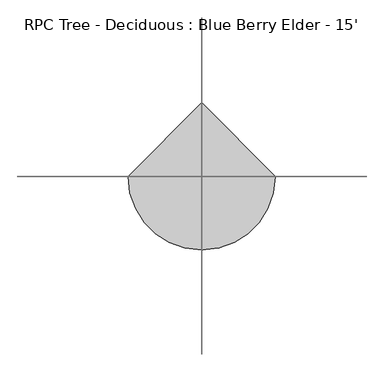
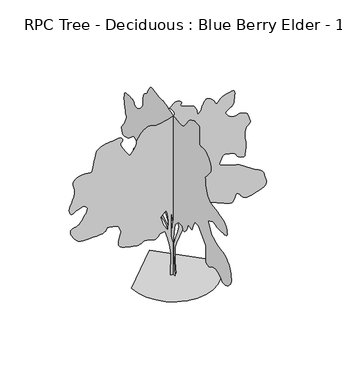
"""IFC4 building model written with IfcOpenShell, lengths in millimetres: geographic element geometry, RPC Tree - Deciduous : Blue Berry Elder - 15'."""

from ifc_helpers import new_model, si_unit, origin, place, context, project, spatial, triangles, source, transform, mapped, element, save


def rpc_tree_deciduous_blue_berry_elder_15_a2d70376(model_context):
    return source(origin(), model_context, "Body", "Tessellation", [
        triangles([(-0.0014919, 59.6430573, 0.0042007), (-0.0014919, -63.4980182, 0.0042007), (-0.0014919, -15.6099892, 574.662743), (-0.0014919, -1.9275415, 923.5625221), (-0.0014919, -22.4510529, 1121.9570257), (-0.0014919, -77.1804997, 1347.7149754), (-0.0014919, -227.6865383, 1498.2227943), (-0.0014919, -385.0338381, 1498.2227943), (-0.0014919, -419.2400351, 1402.4443382), (-0.0014919, -487.6499219, 1409.2870892), (-0.0014919, -562.9051031, 1498.2227943), (-0.0014919, -610.791715, 1593.9986343), (-0.0014919, -638.1577045, 1689.7744743), (-0.0014919, -713.4103786, 1662.4110283), (-0.0014919, -795.5032602, 1655.5682774), (-0.0014919, -870.7558617, 1826.5992622), (-0.0014919, -925.4852972, 1929.2153824), (-0.0014919, -1075.9931162, 1922.3751022), (-0.0014919, -1192.2921947, 1826.5992622), (-0.0014919, -1404.3696568, 1600.8387691), (-0.0014919, -1411.2099369, 1375.0808922), (-0.0014919, -1409.1144253, 1348.2534599), (-0.0014919, -1404.5093285, 1316.2824463), (-0.0014919, -1399.9017609, 1281.557967), (-0.0014919, -1397.8062492, 1246.4730446), (-0.0014919, -1400.7374657, 1213.4249891), (-0.0014919, -1411.2099369, 1184.8042797), (-0.0014919, -1431.7331028, 1163.0034302), (-0.0014919, -1457.4226685, 1147.2477785), (-0.0014919, -1482.2740585, 1135.79746), (-0.0014919, -1507.1254486, 1129.6151339), (-0.0014919, -1532.8150143, 1129.6557564), (-0.0014919, -1560.1810764, 1136.8769726), (-0.0014919, -1590.0565784, 1152.2338114), (-0.0014919, -1623.2873989, 1176.6863886), (-0.0014919, -1664.49375, 1202.6350954), (-0.0014919, -1715.0347057, 1221.7613262), (-0.0014919, -1770.8411831, 1233.9482277), (-0.0014919, -1827.8439537, 1239.0739323), (-0.0014919, -1881.9739346, 1237.0215866), (-0.0014919, -1929.1645134, 1227.6667797), (-0.0014919, -1965.3442818, 1210.8926582), (-0.0014919, -1995.2630951, 1185.7212296), (-0.0014919, -2027.0942917, 1154.4487198), (-0.0014919, -2061.9177475, 1121.8579039), (-0.0014919, -2100.8127571, 1092.7367889), (-0.0014919, -2144.8513481, 1071.8757803), (-0.0014919, -2195.1129604, 1064.0551094), (-0.0014919, -2252.6744179, 1074.0677977), (-0.0014919, -2311.551638, 1100.7352833), (-0.0014919, -2364.3279224, 1137.4535362), (-0.0014919, -2409.9209244, 1180.8748684), (-0.0014919, -2447.2590523, 1227.6464321), (-0.0014919, -2475.2625755, 1274.4181412), (-0.0014919, -2492.8519089, 1317.8368572), (-0.0014919, -2498.9556061, 1354.5577263), (-0.0014919, -2495.0465424, 1394.6871082), (-0.0014919, -2484.4370155, 1446.9019444), (-0.0014919, -2468.7981445, 1505.7005356), (-0.0014919, -2449.8115128, 1565.5759506), (-0.0014919, -2429.1486752, 1621.024165), (-0.0014919, -2408.4858376, 1666.538538), (-0.0014919, -2389.496735, 1696.6146091), (-0.0014919, -2367.4393604, 1721.5473896), (-0.0014919, -2337.0025555, 1752.8198994), (-0.0014919, -2299.0269665, 1786.7288761), (-0.0014919, -2254.3509144, 1819.5584129), (-0.0014919, -2203.8099586, 1847.6000153), (-0.0014919, -2148.2422749, 1867.1453339), (-0.0014919, -2088.4861839, 1874.4858742), (-0.0014919, -2026.3171589, 1879.471907), (-0.0014919, -1963.0710194, 1893.4344269), (-0.0014919, -1898.9284229, 1914.8745426), (-0.0014919, -1834.0668297, 1942.2988861), (-0.0014919, -1768.6668972, 1974.2114731), (-0.0014919, -1702.9062309, 2009.1161739), (-0.0014919, -1636.9678139, 2045.5143883), (-0.0014919, -1493.3027458, 2312.3213585), (-0.0014919, -1712.220488, 2414.9399494), (-0.0014919, -1741.6996479, 2406.2024014), (-0.0014919, -1772.1365982, 2397.8254417), (-0.0014919, -1804.4885479, 2390.1673336), (-0.0014919, -1839.7108166, 2383.5861946), (-0.0014919, -1878.7633747, 2378.4401424), (-0.0014919, -1922.603722, 2375.0899109), (-0.0014919, -1972.187178, 2373.8910015), (-0.0014919, -2028.8316856, 2373.6725555), (-0.0014919, -2090.261657, 2373.8122272), (-0.0014919, -2152.0522167, 2375.5064552), (-0.0014919, -2209.7738388, 2379.9564743), (-0.0014919, -2258.9965611, 2388.3511654), (-0.0014919, -2295.2982697, 2401.8945248), (-0.0014919, -2314.2440609, 2421.7802296), (-0.0014919, -2317.876252, 2453.1136368), (-0.0014919, -2312.2908371, 2496.5351143), (-0.0014919, -2299.1666382, 2546.5297371), (-0.0014919, -2280.1775356, 2597.6091774), (-0.0014919, -2257.0026421, 2644.26912), (-0.0014919, -2231.3130764, 2680.9974014), (-0.0014919, -2204.7853352, 2702.2574409), (-0.0014919, -2178.018655, 2712.9253944), (-0.0014919, -2148.9788578, 2722.1454712), (-0.0014919, -2115.3923904, 2730.9847572), (-0.0014919, -2074.9835197, 2740.5606262), (-0.0014919, -2025.478838, 2751.9398735), (-0.0014919, -1964.605228, 2766.1637146), (-0.0014919, -1890.091753, 2784.3501045), (-0.0014919, -1810.2315113, 2802.4350471), (-0.0014919, -1735.3979977, 2817.522789), (-0.0014919, -1666.4267715, 2832.4579239), (-0.0014919, -1604.1586246, 2850.1870743), (-0.0014919, -1549.4291164, 2873.5298355), (-0.0014919, -1503.0767132, 2905.3557999), (-0.0014919, -1465.9392998, 2948.5613022), (-0.0014919, -1437.478537, 3000.783696), (-0.0014919, -1415.8377068, 3057.3241402), (-0.0014919, -1399.8814133, 3117.4716316), (-0.0014919, -1388.4717899, 3180.4634262), (-0.0014919, -1380.4732956, 3245.6399712), (-0.0014919, -1374.7506798, 3312.238813), (-0.0014919, -1370.1634598, 3379.5489487), (-0.0014919, -1421.161655, 3432.3047401), (-0.0014919, -1470.3080738, 3484.9335045), (-0.0014919, -1515.7412018, 3537.3337944), (-0.0014919, -1555.6115879, 3589.3785828), (-0.0014919, -1588.0626595, 3640.9149719), (-0.0014919, -1611.2401691, 3691.8929649), (-0.0014919, -1623.2873989, 3742.1340843), (-0.0014919, -1619.2183159, 3797.684182), (-0.0014919, -1597.4378139, 3860.6506874), (-0.0014919, -1561.1766552, 3925.0397804), (-0.0014919, -1513.6685085, 3984.9076378), (-0.0014919, -1458.1415199, 4034.2345688), (-0.0014919, -1397.8265968, 4067.0258812), (-0.0014919, -1335.9572628, 4077.3383331), (-0.0014919, -1278.5939037, 4074.2649742), (-0.0014919, -1229.7292992, 4071.8773293), (-0.0014919, -1189.4804478, 4071.7755913), (-0.0014919, -1157.966601, 4075.509375), (-0.0014919, -1135.3097717, 4084.6280045), (-0.0014919, -1121.6268133, 4100.6808037), (-0.0014919, -1117.0395206, 4125.2426765), (-0.0014919, -1118.7743711, 4171.0390091), (-0.0014919, -1122.5437632, 4241.9559013), (-0.0014919, -1126.1936857, 4326.2838936), (-0.0014919, -1127.5704185, 4412.288237), (-0.0014919, -1124.5173346, 4488.2344734), (-0.0014919, -1114.885655, 4542.4125618), (-0.0014919, -1096.5163548, 4563.0627548), (-0.0014919, -1069.6304232, 4564.4597626), (-0.0014919, -1037.2377783, 4567.5331215), (-0.0014919, -1001.3780485, 4570.6067711), (-0.0014919, -964.0806158, 4572.0037788), (-0.0014919, -927.380167, 4570.0477936), (-0.0014919, -893.3136417, 4563.0627548), (-0.0014919, -863.9156542, 4549.3976006), (-0.0014919, -835.993376, 4533.1416161), (-0.0014919, -805.556571, 4518.3587975), (-0.0014919, -773.4433422, 4503.0678703), (-0.0014919, -740.4944086, 4485.3895889), (-0.0014919, -707.545475, 4463.4185463), (-0.0014919, -675.4347897, 4435.2246277), (-0.0014919, -644.9979847, 4398.877137), (-0.0014919, -614.4824055, 4355.0112099), (-0.0014919, -581.8128516, 4307.6911331), (-0.0014919, -547.3475862, 4260.1167114), (-0.0014919, -511.4446541, 4215.5397812), (-0.0014919, -474.4672963, 4177.1857269), (-0.0014919, -436.7711234, 4148.2805145), (-0.0014919, -398.7168328, 4132.075399), (-0.0014919, -359.7633602, 4126.0048393), (-0.0014919, -319.1360072, 4124.6078316), (-0.0014919, -276.8322849, 4126.6905533), (-0.0014919, -232.8521387, 4131.0338928), (-0.0014919, -187.1978941, 4136.4696075), (-0.0014919, -139.8680069, 4141.7780045), (-0.0014919, -90.8629858, 4145.7658424), (-0.0014919, -33.0220578, 4153.2081207), (-0.0014919, 35.9481419, 4167.7368851), (-0.0014919, 108.7479043, 4186.3296455), (-0.0014919, 178.0769938, 4205.989492), (-0.0014919, 236.6359921, 4223.7439316), (-0.0014919, 277.1243819, 4236.5963448), (-0.0014919, 292.2424816, 4241.523951), (-0.0014919, 300.5609782, 4244.1147812), (-0.0014919, 323.5962728, 4250.5411331), (-0.0014919, 358.4806623, 4258.7705727), (-0.0014919, 402.3388501, 4266.7462486), (-0.0014919, 452.3032422, 4272.4357269), (-0.0014919, 505.495962, 4273.8327347), (-0.0014919, 559.0493792, 4268.9051285), (-0.0014919, 618.0663437, 4267.9400711), (-0.0014919, 686.0596498, 4278.836499), (-0.0014919, 757.7613779, 4295.8293571), (-0.0014919, 827.9085497, 4313.1774261), (-0.0014919, 891.2359343, 4325.1409401), (-0.0014919, 942.4728504, 4325.9789703), (-0.0014919, 976.3615522, 4309.9517509), (-0.0014919, 999.7371603, 4282.3926773), (-0.0014919, 1022.6327831, 4252.7761711), (-0.0014919, 1044.5733044, 4221.6359207), (-0.0014919, 1065.0761953, 4189.4032951), (-0.0014919, 1083.6639416, 4156.5608231), (-0.0014919, 1099.8614994, 4123.6171944), (-0.0014919, 1113.1837967, 4091.0287766), (-0.0014919, 1129.0994677, 4063.2159393), (-0.0014919, 1151.7182178, 4042.0067688), (-0.0014919, 1178.5228317, 4023.896537), (-0.0014919, 1207.0064129, 4005.4308037), (-0.0014919, 1234.6492023, 3983.1295486), (-0.0014919, 1258.9419056, 3953.5130424), (-0.0014919, 1277.3720306, 3913.1524246), (-0.0014919, 1288.5608826, 3878.2275215), (-0.0014919, 1294.0066257, 3861.6157448), (-0.0014919, 1295.50261, 3854.8086021), (-0.0014919, 1294.8448013, 3849.3223091), (-0.0014919, 1293.8262589, 3836.6730812), (-0.0014919, 1294.245274, 3808.3265556), (-0.0014919, 1297.8953419, 3755.7995293), (-0.0014919, 1304.3392799, 3695.8046448), (-0.0014919, 1312.5765678, 3648.6365936), (-0.0014919, 1323.5645599, 3611.1208603), (-0.0014919, 1338.2635174, 3580.2090843), (-0.0014919, 1357.6310852, 3552.7770378), (-0.0014919, 1382.622147, 3525.6752037), (-0.0014919, 1414.1969639, 3495.8555122), (-0.0014919, 1450.0566936, 3466.1628479), (-0.0014919, 1486.6377457, 3441.8806091), (-0.0014919, 1522.9750626, 3423.3131378), (-0.0014919, 1558.118557, 3410.8670952), (-0.0014919, 1591.1081131, 3404.8979828), (-0.0014919, 1620.9860859, 3405.7363037), (-0.0014919, 1646.795121, 3413.7628487), (-0.0014919, 1665.9440975, 3429.5107246), (-0.0014919, 1679.3451691, 3450.9992386), (-0.0014919, 1691.3136246, 3474.7736595), (-0.0014919, 1706.1523991, 3497.354258), (-0.0014919, 1728.1716946, 3515.2613045), (-0.0014919, 1761.6793877, 3525.0403587), (-0.0014919, 1810.9833549, 3523.2114006), (-0.0014919, 1870.0002468, 3519.655513), (-0.0014919, 1927.9427856, 3522.4495285), (-0.0014919, 1982.0524189, 3525.3702805), (-0.0014919, 2029.5835293, 3522.1698944), (-0.0014919, 2067.7775642, 3506.6504929), (-0.0014919, 2093.8862904, 3472.5891998), (-0.0014919, 2105.1536259, 3413.7628487), (-0.0014919, 2107.5870529, 3355.0888138), (-0.0014919, 2108.7045719, 3318.9189285), (-0.0014919, 2108.0264156, 3295.0939293), (-0.0014919, 2105.0749969, 3273.4275192), (-0.0014919, 2099.3701126, 3243.7095657), (-0.0014919, 2090.4343208, 3195.8305115), (-0.0014919, 2077.7901798, 3119.5796425), (-0.0014919, 2061.2548519, 3041.6777115), (-0.0014919, 2043.5255562, 2988.8966309), (-0.0014919, 2028.4253151, 2951.2030014), (-0.0014919, 2019.7893597, 2918.5384254), (-0.0014919, 2021.4453632, 2880.844796), (-0.0014919, 2037.2212898, 2828.0637154), (-0.0014919, 2070.9474289, 2750.1617844), (-0.0014919, 2114.4501514, 2668.4752007), (-0.0014919, 2155.0774681, 2607.7440239), (-0.0014919, 2189.9618214, 2562.9383286), (-0.0014919, 2216.2279507, 2529.0063881), (-0.0014919, 2231.0082985, 2500.9418221), (-0.0014919, 2231.4273136, 2473.7181931), (-0.0014919, 2214.6124969, 2442.3032501), (-0.0014919, 2195.0062809, 2409.7735497), (-0.0014919, 2184.256937, 2383.1061367), (-0.0014919, 2175.300943, 2363.1416576), (-0.0014919, 2161.0794273, 2350.7159626), (-0.0014919, 2134.5339546, 2346.6672272), (-0.0014919, 2088.6004211, 2351.8336269), (-0.0014919, 2016.218066, 2367.0507214), (-0.0014919, 1937.2366951, 2396.3496597), (-0.0014919, 1873.5715405, 2438.0946407), (-0.0014919, 1821.2754593, 2484.6274109), (-0.0014919, 1776.3986927, 2528.2875366), (-0.0014919, 1734.9940979, 2561.4142937), (-0.0014919, 1693.1069744, 2576.3494286), (-0.0014919, 1646.795121, 2565.45271), (-0.0014919, 1602.1392712, 2539.6566101), (-0.0014919, 1566.8155552, 2514.9450371), (-0.0014919, 1539.2717422, 2491.129921), (-0.0014919, 1517.9509506, 2468.0336563), (-0.0014919, 1501.2961533, 2445.4757309), (-0.0014919, 1487.7527939, 2423.2762138), (-0.0014919, 1475.7666069, 2401.2569183), (-0.0014919, 1494.8139908, 2382.2881634), (-0.0014919, 1513.8006226, 2363.8605091), (-0.0014919, 1532.6702557, 2346.5072079), (-0.0014919, 1551.3570511, 2330.7719765), (-0.0014919, 1569.8076691, 2317.1879219), (-0.0014919, 1587.9584507, 2306.2990517), (-0.0014919, 1605.7486439, 2298.6383274), (-0.0014919, 1624.7173988, 2295.1686264), (-0.0014919, 1645.2405647, 2294.3304508), (-0.0014919, 1665.5250824, 2292.895364), (-0.0014919, 1683.7749859, 2287.6299877), (-0.0014919, 1698.1945999, 2275.3032692), (-0.0014919, 1706.9905746, 2252.6845917), (-0.0014919, 1708.3672348, 2216.5455185), (-0.0014919, 1703.8180939, 2176.2559719), (-0.0014919, 1696.2794552, 2141.3512711), (-0.0014919, 1686.106675, 2108.8417728), (-0.0014919, 1673.6606323, 2075.7328926), (-0.0014919, 1659.3020611, 2039.0323711), (-0.0014919, 1643.3838467, 1995.7533268), (-0.0014919, 1626.2718098, 1942.8984135), (-0.0014919, 1608.601086, 1883.4013184), (-0.0014919, 1592.1266556, 1823.7848991), (-0.0014919, 1578.8829872, 1766.4443584), (-0.0014919, 1570.9048405, 1713.7673412), (-0.0014919, 1570.2266842, 1668.1539917), (-0.0014919, 1578.8829872, 1631.9944256), (-0.0014919, 1598.9083637, 1607.6815201), (-0.0014919, 1624.6970512, 1591.4839622), (-0.0014919, 1649.4087696, 1577.8035473), (-0.0014919, 1673.2237404, 1566.2135571), (-0.0014919, 1696.320005, 1556.3023888), (-0.0014919, 1718.8777851, 1547.6460857), (-0.0014919, 1741.0774475, 1539.8279583), (-0.0014919, 1763.096743, 1532.4263752), (-0.0014919, 1786.3707584, 1542.3400143), (-0.0014919, 1808.5702755, 1550.1581417), (-0.0014919, 1828.6159996, 1553.787862), (-0.0014919, 1845.4283455, 1551.135989), (-0.0014919, 1857.9352856, 1540.1073017), (-0.0014919, 1865.0549091, 1518.6062885), (-0.0014919, 1865.7127178, 1484.5397633), (-0.0014919, 1859.7895329, 1448.2787498), (-0.0014919, 1848.4813568, 1420.635815), (-0.0014919, 1832.6850826, 1400.1710758), (-0.0014919, 1813.2973125, 1385.4517708), (-0.0014919, 1791.2171196, 1375.040197), (-0.0014919, 1767.3435768, 1367.5015583), (-0.0014919, 1742.570961, 1361.3978611), (-0.0014919, 1730.8234222, 1353.9581989), (-0.0014919, 1718.9565594, 1345.8607281), (-0.0014919, 1706.8509029, 1336.4474945), (-0.0014919, 1694.3845127, 1325.0580734), (-0.0014919, 1681.4406807, 1311.0372723), (-0.0014919, 1667.8974667, 1293.7246662), (-0.0014919, 1653.6378719, 1272.4623013), (-0.0014919, 1633.9909607, 1249.8053993), (-0.0014919, 1605.3701786, 1228.5837296), (-0.0014919, 1569.2691845, 1208.558353), (-0.0014919, 1527.1838173, 1189.4905489), (-0.0014919, 1480.6129681, 1171.1415962), (-0.0014919, 1431.0498596, 1153.270158), (-0.0014919, 1379.9907669, 1135.6399841), (-0.0014919, 1215.8024603, 1231.4158241), (-0.0014919, 1051.6141537, 1108.2739946), (-0.0014919, 1029.6533575, 1105.4215525), (-0.0014919, 1007.8727829, 1103.0492409), (-0.0014919, 986.4529421, 1101.6318855), (-0.0014919, 965.5690424, 1101.6522331), (-0.0014919, 945.4065376, 1103.5877254), (-0.0014919, 926.1380917, 1107.915877), (-0.0014919, 907.9491583, 1115.1167456), (-0.0014919, 891.075915, 1124.6493759), (-0.0014919, 875.1577005, 1135.2589754), (-0.0014919, 859.4808231, 1146.3486328), (-0.0014919, 843.3263586, 1157.3188934), (-0.0014919, 825.97313, 1167.5703753), (-0.0014919, 806.7071548, 1176.5060944), (-0.0014919, 784.8072561, 1183.5266687), (-0.0014919, 760.1565805, 1188.9927595), (-0.0014919, 733.3493505, 1193.7399988), (-0.0014919, 704.7489887, 1197.8877834), (-0.0014919, 674.710924, 1201.5581263), (-0.0014919, 643.59589, 1204.8677353), (-0.0014919, 611.7645481, 1207.9411669), (-0.0014919, 579.5725814, 1210.8926582), (-0.0014919, 367.4951194, 1149.3204718), (-0.0014919, 189.6253804, 1019.3383621), (-0.0014919, 93.8490136, 861.9928791), (-0.0014919, 45.9605758, 560.9797846), (-0.0013978, 66.484046, 1115.1167456), (-0.0013978, 169.1019057, 1334.0344151), (-0.0013978, 4.9135321, 1402.4443382), (-0.0014104, 312.7656838, 1190.3694197), (-0.0014104, 476.9539541, 1299.8282181), (-0.0014104, 606.9360274, 1306.6684982), (-0.0014104, 716.3948622, 1368.2381413), (-0.0014104, 710.4918795, 1371.410622), (-0.0014104, 704.3476324, 1376.0181896), (-0.0014104, 697.7284143, 1383.4984016), (-0.0014104, 690.3878014, 1395.2840195), (-0.0014104, 682.089616, 1412.8176876), (-0.0014104, 672.5976082, 1437.529406), (-0.0014104, 661.6654266, 1470.8567322), (-0.0014104, 652.9303493, 1503.7853909), (-0.0014104, 649.5801178, 1527.3819157), (-0.0014104, 650.7155136, 1543.1985374), (-0.0014104, 655.442478, 1552.7921379), (-0.0014104, 662.864336, 1557.7172733), (-0.0014104, 672.0769278, 1559.5332962), (-0.0014104, 682.1912086, 1559.7924374), (-0.0014104, 689.0314161, 1641.8852463), (-0.0014104, 606.9360274, 1696.6146091), (-0.0014104, 429.0673059, 1546.1094063), (-0.0014104, 305.9254764, 1402.4443382), (-0.0014104, 223.8310687, 1286.1453323), (-0.0014104, 141.7369426, 1101.4337872), (67.7022311, 0.0002671, 0.0), (-69.1215849, 0.0002671, 0.0), (-62.2805962, 0.0002309, 560.9772411), (-96.4865524, 0.0002173, 807.2583567), (-144.3744815, 0.0002037, 1012.4930677), (-205.9448967, 0.0001946, 1197.2045403), (-329.0852182, 0.0001946, 1183.5241253), (-349.6693906, 0.0001946, 1154.5020596), (-370.6116806, 0.0001992, 1127.2782852), (-392.2728221, 0.0001992, 1103.6436087), (-415.0109327, 0.0001992, 1085.3936325), (-439.1841302, 0.0002037, 1074.3243227), (-465.1505685, 0.0002037, 1072.2288111), (-493.2734885, 0.0001992, 1080.9054617), (-523.1921565, 0.0001992, 1093.9686905), (-554.1877936, 0.0001992, 1104.1617456), (-586.0800694, 0.0001992, 1111.9595255), (-618.6886168, 0.0001992, 1117.8447041), (-651.8381922, 0.0001992, 1122.2922523), (-685.3458853, 0.0001992, 1125.7822283), (-719.0339453, 0.0001992, 1128.7946898), (-746.9764984, 0.0001992, 1112.8383963), (-775.4575361, 0.0001992, 1097.8981018), (-805.0180864, 0.0001992, 1084.9948923), (-836.191547, 0.0001992, 1075.1422234), (-869.5188732, 0.0002037, 1069.3586374), (-905.5412384, 0.0002037, 1068.6601336), (-944.7918222, 0.0002037, 1074.0652542), (-995.5334925, 0.0001992, 1083.856953), (-1060.8724548, 0.0001992, 1096.2826481), (-1133.6334206, 0.0001992, 1112.2999117), (-1206.6330345, 0.0001992, 1132.8637728), (-1272.690921, 0.0001946, 1158.9318037), (-1324.6262684, 0.0001946, 1191.4615768), (-1355.2613171, 0.0001901, 1231.4107372), (-1365.1546085, 0.0001901, 1279.0206219), (-1362.3630638, 0.0001856, 1331.6544731), (-1350.9534405, 0.0001811, 1385.9672916), (-1334.997147, 0.0001811, 1438.6012882), (-1318.5632664, 0.0001765, 1486.2110275), (-1305.7185562, 0.0001765, 1525.4413364), (-1300.5318089, 0.000172, 1552.9470703), (-1302.9068092, 0.000172, 1576.4623501), (-1309.4676006, 0.000172, 1604.5243), (-1319.3812397, 0.0001675, 1634.9815979), (-1331.8069347, 0.0001675, 1665.6773987), (-1345.9089809, 0.000163, 1694.4582001), (-1360.8467319, 0.000163, 1719.1699184), (-1375.7869537, 0.000163, 1737.6586155), (-1395.4313942, 0.000163, 1750.9224861), (-1424.0546471, 0.0001584, 1761.6716846), (-1460.1531704, 0.0001584, 1770.328133), (-1502.2385376, 0.0001584, 1777.3079395), (-1548.8093868, 0.0001584, 1783.0331715), (-1598.3724953, 0.0001584, 1787.9200825), (-1649.431588, 0.0001584, 1792.3879784), (-1657.3716557, 0.0001584, 1766.1802757), (-1668.9591751, 0.000163, 1741.0495422), (-1687.8465397, 0.000163, 1718.0726017), (-1717.6865788, 0.000163, 1698.3265686), (-1762.1238373, 0.000163, 1682.8885574), (-1824.8111446, 0.0001675, 1672.8377174), (-1909.398278, 0.0001675, 1669.2462215), (-2003.1193016, 0.0001675, 1666.9119164), (-2090.3809811, 0.0001675, 1662.3043488), (-2170.5789928, 0.0001675, 1659.0150146), (-2243.1190418, 0.0001675, 1660.6304684), (-2307.4039261, 0.0001675, 1670.7422058), (-2362.8293221, 0.000163, 1692.9418682), (-2408.80326, 0.000163, 1730.8183353), (-2450.3908379, 0.0001584, 1780.5998898), (-2490.1799789, 0.0001584, 1834.2117336), (-2523.8680389, 0.0001539, 1888.783548), (-2547.1392929, 0.0001494, 1941.4378922), (-2555.6992355, 0.0001449, 1989.3067726), (-2545.2344673, 0.0001449, 2029.5149288), (-2511.4219963, 0.0001449, 2059.1923325), (-2467.3223625, 0.0001403, 2077.8410488), (-2428.3689262, 0.0001403, 2089.431039), (-2393.8453068, 0.0001403, 2097.7876511), (-2363.0298912, 0.0001403, 2106.7437904), (-2335.2067348, 0.0001403, 2120.1269852), (-2309.6568409, 0.0001358, 2141.7653446), (-2285.6615032, 0.0001358, 2175.4939545), (-2257.2616379, 0.0001313, 2219.9110107), (-2222.6364258, 0.0001313, 2269.4739738), (-2187.2922169, 0.0001267, 2321.7904026), (-2156.7360878, 0.0001222, 2374.464949), (-2136.4719177, 0.0001222, 2425.1076427), (-2132.0040218, 0.0001177, 2471.3203743), (-2148.8391861, 0.0001177, 2510.7107025), (-2179.7535782, 0.0001132, 2538.5136566), (-2213.5406147, 0.0001132, 2553.0322472), (-2249.7203831, 0.0001132, 2556.4866875), (-2287.8154415, 0.0001132, 2551.0765526), (-2327.3479122, 0.0001132, 2539.0342644), (-2367.8355572, 0.0001132, 2522.5573631), (-2408.80326, 0.0001177, 2503.8704224), (-2437.9625267, 0.0001177, 2487.9929031), (-2466.1666191, 0.0001177, 2473.6141296), (-2492.453096, 0.0001177, 2462.2247086), (-2515.8670738, 0.0001177, 2455.3233856), (-2535.4554131, 0.0001177, 2454.4065811), (-2550.2635208, 0.0001177, 2460.9672272), (-2559.3059921, 0.0001177, 2476.5046509), (-2566.1387146, 0.0001177, 2495.7526039), (-2573.6824402, 0.0001177, 2514.0433479), (-2580.1340813, 0.0001132, 2533.7688881), (-2583.7155487, 0.0001132, 2557.3247177), (-2582.6487534, 0.0001132, 2587.0935402), (-2575.1047371, 0.0001086, 2625.4984634), (-2559.3059921, 0.0001041, 2674.9015526), (-2538.1680382, 0.0001041, 2727.6064751), (-2516.667025, 9.96e-05, 2775.7904526), (-2496.1235115, 9.96e-05, 2821.5612053), (-2477.8534058, 9.51e-05, 2867.0781944), (-2463.1746506, 9.05e-05, 2914.5505875), (-2453.4005379, 9.05e-05, 2966.0619781), (-2449.8498825, 8.6e-05, 3023.7962448), (-2453.8603935, 8.15e-05, 3079.1681557), (-2463.4920731, 8.15e-05, 3124.1261673), (-2475.1608376, 7.7e-05, 3161.6674805), (-2485.2727203, 7.7e-05, 3194.7637161), (-2490.240731, 7.24e-05, 3226.4376549), (-2486.4688683, 7.24e-05, 3259.6609177), (-2470.3753738, 6.79e-05, 3297.4559944), (-2440.0783859, 6.79e-05, 3333.6511688), (-2398.8922371, 6.34e-05, 3360.8800301), (-2351.003009, 6.34e-05, 3380.2093735), (-2300.601725, 6.34e-05, 3392.7059944), (-2251.8769375, 6.34e-05, 3399.4625587), (-2209.0144375, 6.34e-05, 3401.5708603), (-2176.2051029, 6.34e-05, 3400.0721146), (-2148.061908, 6.34e-05, 3394.4587944), (-2117.7647747, 6.34e-05, 3386.2290642), (-2087.3483173, 6.34e-05, 3379.4219215), (-2058.8468594, 6.34e-05, 3378.1263611), (-2034.2926895, 6.34e-05, 3386.4069603), (-2015.7253635, 6.34e-05, 3408.3271339), (-2005.174118, 5.88e-05, 3447.9511688), (-1996.2586739, 5.43e-05, 3505.228196), (-1982.4359711, 5.43e-05, 3573.6559959), (-1965.5043011, 4.98e-05, 3647.5697983), (-1947.2543976, 4.53e-05, 3721.3568642), (-1929.4820812, 4.07e-05, 3789.4035828), (-1913.985498, 3.62e-05, 3846.0963432), (-1902.5555271, 3.17e-05, 3885.7968269), (-1882.1516853, 3.17e-05, 3914.5241432), (-1842.3625443, 3.17e-05, 3941.473661), (-1788.9284512, 2.72e-05, 3965.6797417), (-1727.5976017, 2.72e-05, 3986.1523293), (-1664.1128139, 2.72e-05, 4001.9763634), (-1604.2170513, 2.72e-05, 4012.1617882), (-1553.655748, 2.72e-05, 4015.7685448), (-1506.505719, 2.72e-05, 4019.2738541), (-1455.4059311, 2.72e-05, 4027.0969231), (-1403.9480255, 2.72e-05, 4035.1487572), (-1355.7210274, 2.26e-05, 4039.3906494), (-1314.3139618, 2.72e-05, 4035.7077347), (-1283.3207954, 2.72e-05, 4020.0865952), (-1266.3256119, 2.72e-05, 3988.4126564), (-1265.9090675, 3.17e-05, 3953.5130424), (-1277.2170982, 3.17e-05, 3927.1225021), (-1292.7136814, 3.17e-05, 3903.5003975), (-1304.8625038, 3.62e-05, 3876.8813828), (-1306.1173691, 3.62e-05, 3841.4989494), (-1288.9442894, 4.07e-05, 3791.6642006), (-1245.8049168, 4.53e-05, 3721.6109184), (-1194.5655298, 4.98e-05, 3646.731768), (-1155.891437, 4.98e-05, 3586.6860146), (-1126.4324793, 5.43e-05, 3542.0835045), (-1102.8384253, 5.43e-05, 3513.5340843), (-1081.7563545, 5.88e-05, 3501.5958595), (-1059.8361809, 5.43e-05, 3506.9045471), (-1033.7274548, 5.43e-05, 3530.0441231), (-1006.0846653, 5.43e-05, 3563.4705711), (-981.7894913, 4.98e-05, 3598.9288719), (-960.8472376, 4.98e-05, 3635.9620766), (-943.2576862, 4.53e-05, 3674.0620766), (-929.0158957, 4.53e-05, 3712.7463432), (-918.1268801, 4.07e-05, 3751.557637), (-910.5856253, 4.07e-05, 3790.0131386), (-896.7832701, 3.62e-05, 3834.3363052), (-868.8610645, 3.17e-05, 3887.3714401), (-829.4503887, 3.17e-05, 3943.65783), (-781.1826954, 2.72e-05, 3997.6838928), (-726.6920534, 2.26e-05, 4043.9118851), (-668.6123863, 2.26e-05, 4076.8558044), (-609.5750742, 2.26e-05, 4091.0287766), (-561.6655712, 2.26e-05, 4089.1745293), (-529.5548495, 2.26e-05, 4080.3608231), (-504.7415749, 2.26e-05, 4068.5752052), (-478.734514, 2.26e-05, 4057.7549355), (-443.0322238, 2.26e-05, 4051.836692), (-389.1410002, 2.26e-05, 4054.7577347), (-308.5619797, 2.26e-05, 4070.5056107), (-218.1912603, 2.26e-05, 4091.0034874), (-140.9838273, 2.26e-05, 4107.2086029), (-77.5383903, 1.81e-05, 4121.4836037), (-28.4536116, 1.81e-05, 4136.2408424), (5.6723577, 1.81e-05, 4153.8685455), (24.2412211, 1.81e-05, 4176.7540672), (26.6545277, 1.36e-05, 4207.310051), (18.5968788, 1.36e-05, 4240.5080246), (6.5899843, 9.1e-06, 4270.098951), (-8.707838, 9.1e-06, 4296.7182564), (-26.6385244, 9.1e-06, 4320.924337), (-46.5435071, 4.5e-06, 4343.3526192), (-67.764968, 4.5e-06, 4364.5617897), (-89.6448007, 4.5e-06, 4385.1864029), (-61.8612404, 4.5e-06, 4411.3740486), (-34.4965295, 0.0, 4436.3675812), (-7.9696625, 0.0, 4458.9734688), (17.3007665, 0.0, 4477.9728905), (40.8958095, 0.0, 4492.1967316), (62.3966728, -4.5e-06, 4500.4264618), (81.3844583, -4.5e-06, 4501.4932571), (101.1299282, -4.5e-06, 4497.6833153), (123.747879, 0.0, 4491.9682571), (147.0833914, 0.0, 4484.0687393), (168.9832901, 0.0, 4473.8071564), (187.292892, 0.0, 4460.9038742), (199.8582769, 0.0, 4445.1304184), (204.5255429, 0.0, 4426.2330254), (200.2771285, 4.5e-06, 4409.087851), (190.6436686, 4.5e-06, 4397.0737587), (180.2923927, 4.5e-06, 4387.8281021), (173.8900582, 4.5e-06, 4378.9382378), (176.103931, 4.5e-06, 4367.9906502), (191.6012409, 4.5e-06, 4352.6491447), (225.0492538, 9.1e-06, 4330.4749168), (270.045399, 9.1e-06, 4307.8943184), (316.1184952, 9.1e-06, 4291.4095688), (361.8334373, 9.1e-06, 4278.7603409), (405.7526316, 9.1e-06, 4267.6860168), (446.4409184, 1.36e-05, 4255.8751099), (482.4607038, 1.36e-05, 4241.0667114), (512.3793717, 1.36e-05, 4221.0007851), (536.1741039, 1.36e-05, 4195.1436424), (555.3003347, 1.81e-05, 4164.9937386), (570.5378131, 1.81e-05, 4131.2623672), (582.6637808, 2.26e-05, 4094.6355331), (592.4580231, 2.26e-05, 4055.8498192), (600.6952383, 2.72e-05, 4015.6415176), (608.1552117, 2.72e-05, 3974.722213), (703.9310881, 2.26e-05, 4063.647599), (703.2935543, 2.26e-05, 4067.2543556), (702.1759626, 2.26e-05, 4077.3127533), (701.7771498, 2.26e-05, 4092.7307076), (703.2935543, 2.26e-05, 4112.4920013), (707.9213968, 1.81e-05, 4135.4533905), (716.8571886, 1.81e-05, 4160.59953), (731.2970776, 1.81e-05, 4186.7868851), (747.8502823, 1.36e-05, 4214.0666153), (763.2096645, 1.36e-05, 4241.5748199), (778.6859001, 9.1e-06, 4267.025592), (795.599766, 9.1e-06, 4288.2091827), (815.2644814, 9.1e-06, 4302.7888161), (838.9982071, 9.1e-06, 4308.5038742), (868.119322, 9.1e-06, 4303.0937393), (898.3758327, 9.1e-06, 4289.9872719), (925.0433184, 9.1e-06, 4274.3408432), (948.7186901, 1.36e-05, 4256.6116928), (969.9988592, 1.36e-05, 4237.2059006), (989.4857512, 1.36e-05, 4216.5304184), (1007.7737337, 1.36e-05, 4195.0419044), (1025.4674212, 1.81e-05, 4173.1217308), (1029.993671, 1.81e-05, 4151.4047424), (1035.2997425, 1.81e-05, 4131.2879471), (1042.1602976, 1.81e-05, 4114.4224068), (1051.3550852, 2.26e-05, 4102.3827347), (1063.6613834, 2.26e-05, 4096.8199928), (1079.8564705, 2.26e-05, 4099.3346649), (1100.7200226, 2.26e-05, 4111.5522331), (1123.5978413, 1.81e-05, 4132.811982), (1146.3537197, 1.81e-05, 4159.3295494), (1170.5472284, 1.81e-05, 4188.0062874), (1197.732851, 1.36e-05, 4215.7429665), (1229.4650711, 1.36e-05, 4239.3903603), (1267.3009884, 1.36e-05, 4255.8751099), (1312.7950138, 1.36e-05, 4262.0471169), (1361.8805351, 9.1e-06, 4267.2796463), (1408.0932667, 9.1e-06, 4278.7350517), (1449.398885, 9.1e-06, 4290.06343), (1483.7651012, 9.1e-06, 4294.9148781), (1509.1549759, 9.1e-06, 4286.9900711), (1523.5363655, 1.36e-05, 4259.888237), (1524.8724758, 1.36e-05, 4207.310051), (1519.9652172, 1.81e-05, 4142.8703796), (1515.7766647, 2.26e-05, 4084.5009773), (1510.5112885, 2.72e-05, 4032.4817688), (1502.3755932, 2.72e-05, 3987.0412285), (1489.5689621, 3.17e-05, 3948.43312), (1470.3029869, 3.17e-05, 3916.8862083), (1442.7795216, 3.17e-05, 3892.6292587), (1408.3320602, 3.62e-05, 3872.7156487), (1372.4519829, 3.62e-05, 3853.18312), (1339.5615486, 3.62e-05, 3832.6852432), (1314.0928997, 3.62e-05, 3809.9014595), (1300.4709114, 4.07e-05, 3783.5362083), (1303.1226391, 4.07e-05, 3752.243351), (1326.4778996, 4.53e-05, 3714.7529068), (1361.2023788, 4.53e-05, 3678.8882355), (1394.8497437, 4.98e-05, 3652.3703773), (1427.1814911, 4.98e-05, 3633.6253006), (1457.9560661, 4.98e-05, 3621.1030998), (1486.937582, 4.98e-05, 3613.2291618), (1513.8818676, 4.98e-05, 3608.4791611), (1538.5553616, 4.98e-05, 3605.3043549), (1559.4774857, 4.98e-05, 3606.8028099), (1576.9297634, 4.98e-05, 3614.7531967), (1593.3026012, 4.98e-05, 3625.5734665), (1610.9962887, 4.98e-05, 3635.7080223), (1632.3958546, 4.98e-05, 3641.4992386), (1659.9014431, 4.98e-05, 3639.4165169), (1695.9009899, 4.98e-05, 3625.8275208), (1734.0771481, 4.98e-05, 3609.6729836), (1766.7466656, 4.98e-05, 3599.6145859), (1794.2701309, 4.98e-05, 3591.7153587), (1817.0082779, 4.98e-05, 3582.0124626), (1835.316608, 5.43e-05, 3566.5945084), (1849.558326, 5.43e-05, 3541.4486595), (1860.0892239, 5.88e-05, 3502.6882347), (1872.6545906, 5.88e-05, 3459.6350487), (1889.4085098, 6.34e-05, 3423.0590836), (1905.3241081, 6.34e-05, 3391.0296432), (1915.3774189, 6.34e-05, 3361.6419022), (1914.5392433, 6.79e-05, 3332.939875), (1897.7853241, 6.79e-05, 3303.0693146), (1860.0892239, 7.24e-05, 3270.0748169), (1819.3424377, 7.24e-05, 3225.0150673), (1794.6308647, 7.7e-05, 3164.2835999), (1782.7233067, 8.15e-05, 3093.9765541), (1780.3890015, 8.6e-05, 3020.2147774), (1784.397187, 9.05e-05, 2949.0694107), (1791.5192814, 9.51e-05, 2886.6615921), (1798.5195808, 9.51e-05, 2839.0871704), (1802.5886639, 9.96e-05, 2800.3776146), (1803.4268394, 9.96e-05, 2760.5756836), (1801.5701214, 0.0001041, 2719.8848534), (1797.5619358, 0.0001041, 2678.48302), (1791.9384418, 0.0001086, 2636.5474983), (1785.2353626, 0.0001086, 2594.2311859), (1777.9964149, 0.0001132, 2551.7622665), (1779.0935863, 0.0001132, 2530.0377205), (1777.9760674, 0.0001177, 2509.9334244), (1772.4312023, 0.0001177, 2493.0603264), (1760.2443008, 0.0001177, 2481.0334442), (1739.2028526, 0.0001177, 2475.4680862), (1707.0896965, 0.0001177, 2477.9801422), (1661.6947929, 0.0001177, 2490.1875366), (1618.3547058, 0.0001177, 2511.8867935), (1589.7339237, 0.0001132, 2539.8115425), (1569.6094254, 0.0001132, 2570.9645828), (1551.7583347, 0.0001086, 2602.3591782), (1529.9574852, 0.0001086, 2631.0103363), (1497.9864716, 0.0001086, 2653.895858), (1449.6198017, 0.0001086, 2668.0688301), (1395.7870411, 0.0001041, 2678.0257805), (1350.6918285, 0.0001041, 2688.3635216), (1313.0159306, 0.0001041, 2696.0598541), (1281.4411137, 0.0001041, 2698.1425758), (1254.6568474, 0.0001041, 2691.5894875), (1231.339666, 0.0001041, 2673.4536758), (1210.1788937, 0.0001086, 2640.6876526), (1189.6938068, 0.0001086, 2600.6063782), (1171.1263355, 0.0001132, 2562.9127487), (1157.2249311, 0.0001132, 2528.3229996), (1150.7428413, 0.0001177, 2497.566156), (1154.4309156, 0.0001177, 2471.3584534), (1171.0450905, 0.0001177, 2450.416127), (1203.3361427, 0.0001222, 2435.4580284), (1238.8200233, 0.0001222, 2424.8078064), (1266.0436523, 0.0001222, 2415.5926712), (1289.3202839, 0.0001222, 2406.7382698), (1312.9550331, 0.0001222, 2397.1625462), (1341.2582474, 0.0001222, 2385.7959435), (1378.5353325, 0.0001222, 2371.5542255), (1429.0966358, 0.0001267, 2353.3652195), (1483.0867996, 0.0001267, 2336.5300552), (1529.2996765, 0.0001267, 2325.0823528), (1570.0082382, 0.0001267, 2316.0272369), (1607.4860378, 0.0001267, 2306.3725937), (1644.0035763, 0.0001267, 2293.1290707), (1681.8394936, 0.0001313, 2273.3044086), (1723.2669067, 0.0001313, 2243.9063484), (1969.5480949, 0.0001403, 2072.8753635), (2012.7713287, 0.0001449, 2045.9309326), (2063.1724674, 0.0001449, 2021.4962322), (2116.2052769, 0.0001449, 1996.2256817), (2167.325267, 0.0001494, 1966.766724), (2211.9811169, 0.0001494, 1929.7691277), (2245.6284817, 0.0001539, 1881.8823704), (2263.7183659, 0.0001584, 1819.7514244), (2277.1220535, 0.000163, 1754.133046), (2294.714003, 0.000163, 1696.8914818), (2308.9558662, 0.0001675, 1646.350526), (2312.3060978, 0.000172, 1600.8336823), (2297.226059, 0.000172, 1558.6696861), (2256.1797272, 0.0001765, 1518.1820412), (2181.6255569, 0.0001765, 1477.6943962), (2092.3901608, 0.0001811, 1441.2352844), (2012.2505756, 0.0001811, 1413.8692223), (1941.0873322, 0.0001811, 1395.4796471), (1878.7784901, 0.0001811, 1385.9470894), (1825.2048706, 0.0001811, 1385.1494637), (1780.2493298, 0.0001811, 1392.9675911), (1743.7900726, 0.0001811, 1409.2820023), (1711.9766075, 0.0001811, 1437.6234409), (1681.1232582, 0.0001765, 1476.018045), (1651.3442619, 0.0001765, 1516.0891457), (1622.764175, 0.000172, 1549.4571671), (1595.4972347, 0.000172, 1567.7451496), (1569.667852, 0.000172, 1562.581366), (1545.3956417, 0.0001765, 1525.5811535), (1524.8724758, 0.0001765, 1474.8801785), (1508.5377171, 0.0001811, 1434.1130447), (1493.8768387, 0.0001811, 1403.1581028), (1478.3802555, 0.0001811, 1381.8982086), (1459.5334408, 0.0001856, 1370.2092419), (1434.8192516, 0.0001856, 1367.9765293), (1401.7305737, 0.0001856, 1375.0758053), (1362.2209213, 0.0001811, 1387.9992897), (1320.1965969, 0.0001811, 1403.0793285), (1276.0767609, 0.0001811, 1419.9525719), (1230.2830444, 0.0001811, 1438.260902), (1183.231992, 0.0001765, 1457.6488174), (1135.34538, 0.0001765, 1477.7528229), (1087.0370642, 0.0001765, 1498.2177074), (758.6605236, 0.0001675, 1635.0398792), (567.1088073, 0.000172, 1552.9470703), (423.4437392, 0.0001856, 1361.3927742), (245.5724742, 0.0001992, 1101.4287003), (74.5432198, 0.0002173, 800.4181492), (47.1785065, 0.0002218, 697.7994856), (47.1785065, 0.0002309, 567.8174486), (47.1785065, 0.000249, 294.1703436), (-0.7096842, 8.15e-05, 773.0521597), (67.7022311, 6.79e-05, 964.6063831), (122.4313987, 5.88e-05, 1087.7457418), (142.9546191, 5.43e-05, 1197.2045403), (122.4313987, 4.53e-05, 1320.3464424), (60.8604794, 4.53e-05, 1347.7123592), (50.6288455, 4.53e-05, 1339.2134594), (40.5767883, 4.53e-05, 1332.5129963), (30.8833756, 4.53e-05, 1329.4015583), (21.7287019, 4.53e-05, 1331.6748207), (13.2919576, 4.53e-05, 1341.1287495), (5.7526473, 4.53e-05, 1359.5590199), (-0.7096842, 4.07e-05, 1388.7588364), (-6.9725849, 4.07e-05, 1423.9404099), (-13.9534758, 4.07e-05, 1459.1244541), (-21.5326905, 3.62e-05, 1494.3086437), (-29.5905153, 3.62e-05, 1529.4902172), (-38.0073208, 3.17e-05, 1564.6742615), (-46.6636488, 3.17e-05, 1599.8584511), (-55.4393531, 2.72e-05, 1635.0398792), (-62.2805962, 4.98e-05, 1299.8231312), (-55.4393531, 6.34e-05, 1019.3358187), (-130.6925041, 8.6e-05, 1204.0472912), (-123.8507524, 7.24e-05, 1443.4881992), (-144.3744815, 6.34e-05, 1635.0398792), (-178.5804332, 5.43e-05, 1744.4987503), (-246.9923367, 5.88e-05, 1676.0863564), (-315.4047669, 6.34e-05, 1600.8336823), (-240.1508393, 7.7e-05, 1375.0758053), (-1032.8410263, 0.0, 0.0044904), (-1005.5360069, -236.6588468, 0.0044904), (-927.7712769, -453.992347, 0.0044904), (-805.775017, -645.7726467, 0.0044904), (-645.7726467, -805.775017, 0.0044904), (-453.992347, -927.7712769, 0.0044904), (-236.6588468, -1005.5360069, 0.0044904), (4.51e-05, -1032.8410263, 0.0044904), (236.6588468, -1005.5360069, 0.0044904), (453.992347, -927.7712769, 0.0044904), (645.7726467, -805.775017, 0.0044904), (805.775017, -645.7726467, 0.0044904), (927.7712769, -453.992347, 0.0044904), (1005.5360069, -236.6588468, 0.0044904), (1032.8410263, 9.05e-05, 0.0044904), (-0.0001354, 1032.8410263, 0.0044904)], [[379, 1, 382], [380, 404, 405], [379, 382, 380], [378, 379, 380], [404, 380, 381], [380, 405, 406], [377, 378, 380], [377, 380, 406], [376, 377, 406], [376, 406, 383], [376, 383, 384], [375, 376, 384], [375, 384, 385], [374, 375, 385], [1, 2, 3], [373, 374, 385], [373, 385, 386], [372, 373, 386], [371, 372, 386], [370, 371, 386], [8, 9, 10], [8, 10, 11], [369, 370, 386], [14, 15, 16], [13, 14, 16], [368, 369, 386], [8, 11, 12], [367, 368, 386], [8, 12, 13], [351, 352, 353], [404, 381, 382], [403, 404, 382], [148, 149, 150], [147, 148, 150], [147, 150, 151], [146, 147, 151], [146, 151, 152], [146, 152, 153], [146, 153, 154], [145, 146, 154], [145, 154, 155], [145, 155, 156], [145, 156, 157], [145, 157, 158], [144, 145, 158], [144, 158, 159], [144, 159, 160], [144, 160, 161], [144, 161, 162], [144, 162, 163], [143, 144, 163], [143, 163, 164], [143, 164, 165], [142, 143, 165], [142, 165, 166], [141, 142, 166], [141, 166, 167], [141, 167, 168], [141, 168, 169], [140, 141, 169], [366, 367, 386], [350, 351, 353], [7, 8, 13], [92, 93, 94], [91, 92, 94], [91, 94, 95], [90, 91, 95], [90, 95, 96], [89, 90, 96], [89, 96, 97], [88, 89, 97], [88, 97, 98], [88, 98, 99], [88, 99, 100], [88, 100, 101], [88, 101, 102], [88, 102, 103], [87, 88, 103], [87, 103, 104], [87, 104, 105], [86, 87, 105], [86, 105, 106], [85, 86, 106], [84, 85, 106], [84, 106, 107], [83, 84, 107], [82, 83, 107], [81, 82, 107], [81, 107, 108], [80, 81, 108], [79, 80, 108], [79, 108, 109], [79, 109, 110], [78, 79, 110], [78, 110, 111], [78, 111, 112], [78, 112, 113], [78, 113, 114], [349, 350, 353], [271, 272, 273], [270, 271, 273], [270, 273, 274], [269, 270, 274], [269, 274, 275], [268, 269, 275], [268, 275, 276], [267, 268, 276], [266, 267, 276], [265, 266, 276], [264, 265, 276], [263, 264, 276], [262, 263, 276], [262, 276, 277], [262, 277, 278], [261, 262, 278], [261, 278, 279], [260, 261, 279], [260, 279, 280], [259, 260, 280], [259, 280, 281], [258, 259, 281], [258, 281, 282], [327, 328, 329], [327, 329, 330], [326, 327, 330], [326, 330, 331], [325, 326, 331], [325, 331, 332], [324, 325, 332], [324, 332, 333], [324, 333, 334], [324, 334, 335], [324, 335, 336], [324, 336, 337], [324, 337, 338], [323, 324, 338], [322, 323, 338], [322, 338, 339], [321, 322, 339], [321, 339, 340], [320, 321, 340], [320, 340, 341], [320, 341, 342], [319, 320, 342], [319, 342, 343], [318, 319, 343], [318, 343, 344], [317, 318, 344], [317, 344, 345], [317, 345, 346], [317, 346, 347], [317, 347, 348], [317, 348, 349], [317, 349, 353], [316, 317, 353], [315, 316, 353], [314, 315, 353], [257, 258, 282], [13, 16, 17], [365, 366, 386], [244, 245, 246], [244, 246, 247], [243, 244, 247], [243, 247, 248], [242, 243, 248], [241, 242, 248], [241, 248, 249], [241, 249, 250], [241, 250, 251], [241, 251, 252], [241, 252, 253], [240, 241, 253], [240, 253, 254], [239, 240, 254], [238, 239, 254], [237, 238, 254], [236, 237, 254], [235, 236, 254], [234, 235, 254], [233, 234, 254], [233, 254, 255], [233, 255, 256], [233, 256, 257], [233, 257, 282], [232, 233, 282], [231, 232, 282], [230, 231, 282], [230, 282, 283], [229, 230, 283], [229, 283, 284], [228, 229, 284], [228, 284, 285], [227, 228, 285], [227, 285, 286], [226, 227, 286], [226, 286, 287], [225, 226, 287], [225, 287, 288], [224, 225, 288], [224, 288, 289], [396, 397, 398], [396, 398, 399], [395, 396, 399], [395, 399, 400], [394, 395, 400], [393, 394, 400], [392, 393, 400], [353, 354, 355], [223, 224, 289], [140, 169, 170], [300, 301, 302], [299, 300, 302], [299, 302, 303], [298, 299, 303], [297, 298, 303], [297, 303, 304], [296, 297, 304], [296, 304, 305], [296, 305, 306], [295, 296, 306], [295, 306, 307], [295, 307, 308], [294, 295, 308], [294, 308, 309], [293, 294, 309], [292, 293, 309], [292, 309, 310], [291, 292, 310], [291, 310, 311], [290, 291, 311], [289, 290, 311], [289, 311, 312], [353, 355, 356], [353, 356, 357], [353, 357, 358], [353, 358, 359], [353, 359, 360], [353, 360, 361], [353, 361, 362], [353, 362, 363], [353, 363, 364], [353, 364, 365], [353, 365, 386], [314, 353, 386], [313, 314, 386], [313, 386, 387], [313, 387, 388], [313, 388, 389], [313, 389, 390], [313, 390, 391], [313, 391, 392], [313, 392, 400], [313, 400, 401], [312, 313, 401], [289, 312, 401], [289, 401, 402], [223, 289, 402], [222, 223, 402], [221, 222, 402], [221, 402, 403], [221, 403, 382], [220, 221, 382], [219, 220, 382], [218, 219, 382], [217, 218, 382], [196, 197, 198], [196, 198, 199], [195, 196, 199], [195, 199, 200], [195, 200, 201], [194, 195, 201], [194, 201, 202], [194, 202, 203], [194, 203, 204], [194, 204, 205], [193, 194, 205], [193, 205, 206], [192, 193, 206], [78, 114, 115], [216, 217, 382], [26, 27, 28], [26, 28, 29], [25, 26, 29], [24, 25, 29], [24, 29, 30], [24, 30, 31], [24, 31, 32], [24, 32, 33], [24, 33, 34], [24, 34, 35], [23, 24, 35], [22, 23, 35], [22, 35, 36], [21, 22, 36], [21, 36, 37], [20, 21, 37], [20, 37, 38], [20, 38, 39], [20, 39, 40], [20, 40, 41], [192, 206, 207], [191, 192, 207], [215, 216, 382], [214, 215, 382], [213, 214, 382], [212, 213, 382], [211, 212, 382], [210, 211, 382], [209, 210, 382], [208, 209, 382], [207, 208, 382], [191, 207, 382], [190, 191, 382], [189, 190, 382], [188, 189, 382], [187, 188, 382], [186, 187, 382], [185, 186, 382], [184, 185, 382], [183, 184, 382], [182, 183, 382], [181, 182, 382], [180, 181, 382], [179, 180, 382], [178, 179, 382], [177, 178, 382], [176, 177, 382], [175, 176, 382], [174, 175, 382], [173, 174, 382], [172, 173, 382], [171, 172, 382], [170, 171, 382], [140, 170, 382], [139, 140, 382], [138, 139, 382], [137, 138, 382], [136, 137, 382], [135, 136, 382], [134, 135, 382], [133, 134, 382], [132, 133, 382], [131, 132, 382], [130, 131, 382], [129, 130, 382], [47, 48, 49], [46, 47, 49], [46, 49, 50], [45, 46, 50], [45, 50, 51], [44, 45, 51], [44, 51, 52], [43, 44, 52], [43, 52, 53], [43, 53, 54], [43, 54, 55], [43, 55, 56], [43, 56, 57], [43, 57, 58], [43, 58, 59], [42, 43, 59], [42, 59, 60], [42, 60, 61], [42, 61, 62], [42, 62, 63], [42, 63, 64], [42, 64, 65], [42, 65, 66], [41, 42, 66], [20, 41, 66], [20, 66, 67], [20, 67, 68], [20, 68, 69], [20, 69, 70], [20, 70, 71], [20, 71, 72], [20, 72, 73], [20, 73, 74], [20, 74, 75], [20, 75, 76], [19, 20, 76], [19, 76, 77], [19, 77, 78], [18, 19, 78], [18, 78, 115], [17, 18, 115], [17, 115, 116], [17, 116, 117], [17, 117, 118], [13, 17, 118], [7, 13, 118], [7, 118, 119], [7, 119, 120], [7, 120, 121], [127, 128, 129], [126, 127, 129], [125, 126, 129], [124, 125, 129], [123, 124, 129], [122, 123, 129], [121, 122, 129], [121, 129, 382], [7, 121, 382], [6, 7, 382], [5, 6, 382], [4, 5, 382], [4, 382, 1], [4, 1, 3], [843, 407, 844], [842, 843, 844], [863, 866, 867], [866, 863, 864], [841, 842, 844], [863, 867, 868], [866, 864, 865], [840, 841, 844], [840, 844, 845], [839, 840, 845], [839, 845, 846], [839, 846, 847], [838, 839, 847], [838, 847, 848], [844, 407, 408], [844, 408, 409], [844, 409, 410], [865, 844, 410], [865, 410, 411], [866, 865, 411], [866, 411, 412], [872, 866, 412], [872, 412, 413], [615, 616, 617], [863, 868, 869], [614, 615, 617], [614, 617, 618], [613, 614, 618], [613, 618, 619], [837, 838, 848], [837, 848, 849], [613, 619, 620], [612, 613, 620], [612, 620, 621], [612, 621, 622], [612, 622, 623], [612, 623, 624], [612, 624, 625], [612, 625, 626], [612, 626, 627], [612, 627, 628], [612, 628, 629], [612, 629, 630], [612, 630, 631], [612, 631, 632], [612, 632, 633], [612, 633, 634], [612, 634, 635], [611, 612, 635], [610, 611, 635], [610, 635, 636], [609, 610, 636], [609, 636, 637], [609, 637, 638], [608, 609, 638], [608, 638, 639], [691, 692, 693], [690, 691, 693], [690, 693, 694], [689, 690, 694], [689, 694, 695], [688, 689, 695], [688, 695, 696], [687, 688, 696], [687, 696, 697], [686, 687, 697], [685, 686, 697], [684, 685, 697], [683, 684, 697], [683, 697, 698], [682, 683, 698], [682, 698, 699], [682, 699, 700], [682, 700, 701], [682, 701, 702], [682, 702, 703], [681, 682, 703], [681, 703, 704], [680, 681, 704], [680, 704, 705], [679, 680, 705], [679, 705, 706], [678, 679, 706], [871, 872, 413], [608, 639, 640], [509, 510, 511], [508, 509, 511], [508, 511, 512], [507, 508, 512], [506, 507, 512], [506, 512, 513], [506, 513, 514], [505, 506, 514], [505, 514, 515], [505, 515, 516], [505, 516, 517], [504, 505, 517], [504, 517, 518], [503, 504, 518], [503, 518, 519], [502, 503, 519], [502, 519, 520], [501, 502, 520], [501, 520, 521], [500, 501, 521], [500, 521, 522], [500, 522, 523], [499, 500, 523], [499, 523, 524], [498, 499, 524], [498, 524, 525], [565, 566, 567], [565, 567, 568], [564, 565, 568], [564, 568, 569], [564, 569, 570], [563, 564, 570], [563, 570, 571], [562, 563, 571], [561, 562, 571], [561, 571, 572], [560, 561, 572], [559, 560, 572], [559, 572, 573], [558, 559, 573], [557, 558, 573], [556, 557, 573], [555, 556, 573], [554, 555, 573], [553, 554, 573], [552, 553, 573], [551, 552, 573], [550, 551, 573], [549, 550, 573], [549, 573, 574], [548, 549, 574], [547, 548, 574], [547, 574, 575], [546, 547, 575], [546, 575, 576], [546, 576, 577], [545, 546, 577], [545, 577, 578], [544, 545, 578], [544, 578, 579], [852, 853, 854], [851, 852, 854], [850, 851, 854], [850, 854, 855], [849, 850, 855], [849, 855, 856], [837, 849, 856], [837, 856, 857], [837, 857, 858], [837, 858, 859], [837, 859, 860], [837, 860, 861], [837, 861, 862], [837, 862, 863], [607, 608, 640], [481, 482, 483], [480, 481, 483], [480, 483, 484], [479, 480, 484], [479, 484, 485], [478, 479, 485], [478, 485, 486], [477, 478, 486], [477, 486, 487], [476, 477, 487], [475, 476, 487], [474, 475, 487], [473, 474, 487], [473, 487, 488], [472, 473, 488], [471, 472, 488], [471, 488, 489], [470, 471, 489], [470, 489, 490], [469, 470, 490], [469, 490, 491], [469, 491, 492], [468, 469, 492], [468, 492, 493], [467, 468, 493], [466, 467, 493], [465, 466, 493], [464, 465, 493], [463, 464, 493], [462, 463, 493], [462, 493, 494], [462, 494, 495], [461, 462, 495], [461, 495, 496], [460, 461, 496], [459, 460, 496], [458, 459, 496], [837, 863, 869], [836, 837, 869], [607, 640, 641], [871, 413, 414], [871, 414, 415], [871, 415, 416], [871, 416, 417], [871, 417, 418], [871, 418, 419], [871, 419, 420], [871, 420, 421], [871, 421, 422], [871, 422, 423], [871, 423, 424], [871, 424, 425], [871, 425, 426], [871, 426, 427], [457, 458, 496], [678, 706, 707], [607, 641, 642], [607, 642, 643], [607, 643, 644], [607, 644, 645], [607, 645, 646], [607, 646, 647], [607, 647, 648], [607, 648, 649], [607, 649, 650], [607, 650, 651], [606, 607, 651], [605, 606, 651], [677, 678, 707], [753, 754, 755], [752, 753, 755], [752, 755, 756], [751, 752, 756], [750, 751, 756], [750, 756, 757], [750, 757, 758], [749, 750, 758], [749, 758, 759], [749, 759, 760], [748, 749, 760], [748, 760, 761], [747, 748, 761], [747, 761, 762], [746, 747, 762], [745, 746, 762], [744, 745, 762], [744, 762, 763], [743, 744, 763], [742, 743, 763], [741, 742, 763], [741, 763, 764], [740, 741, 764], [740, 764, 765], [740, 765, 766], [739, 740, 766], [739, 766, 767], [739, 767, 768], [738, 739, 768], [738, 768, 769], [733, 734, 735], [732, 733, 735], [732, 735, 736], [731, 732, 736], [730, 731, 736], [730, 736, 737], [729, 730, 737], [672, 673, 674], [737, 738, 769], [729, 737, 769], [728, 729, 769], [727, 728, 769], [726, 727, 769], [725, 726, 769], [724, 725, 769], [723, 724, 769], [722, 723, 769], [721, 722, 769], [720, 721, 769], [719, 720, 769], [718, 719, 769], [717, 718, 769], [716, 717, 769], [715, 716, 769], [714, 715, 769], [713, 714, 769], [712, 713, 769], [711, 712, 769], [710, 711, 769], [709, 710, 769], [708, 709, 769], [708, 769, 770], [707, 708, 770], [677, 707, 770], [677, 770, 771], [677, 771, 772], [676, 677, 772], [676, 772, 773], [676, 773, 774], [825, 826, 827], [824, 825, 827], [824, 827, 828], [823, 824, 828], [823, 828, 829], [822, 823, 829], [822, 829, 830], [821, 822, 830], [821, 830, 831], [821, 831, 832], [820, 821, 832], [820, 832, 833], [820, 833, 834], [820, 834, 835], [820, 835, 836], [440, 441, 442], [439, 440, 442], [439, 442, 443], [438, 439, 443], [438, 443, 444], [438, 444, 445], [437, 438, 445], [437, 445, 446], [436, 437, 446], [436, 446, 447], [435, 436, 447], [435, 447, 448], [434, 435, 448], [433, 434, 448], [432, 433, 448], [431, 432, 448], [430, 431, 448], [429, 430, 448], [428, 429, 448], [427, 428, 448], [871, 427, 448], [871, 448, 449], [871, 449, 450], [871, 450, 451], [871, 451, 452], [871, 452, 453], [871, 453, 454], [870, 871, 454], [870, 454, 455], [869, 870, 455], [869, 455, 456], [804, 805, 806], [803, 804, 806], [803, 806, 807], [802, 803, 807], [801, 802, 807], [801, 807, 808], [800, 801, 808], [800, 808, 809], [799, 800, 809], [798, 799, 809], [797, 798, 809], [796, 797, 809], [795, 796, 809], [795, 809, 810], [794, 795, 810], [794, 810, 811], [794, 811, 812], [794, 812, 813], [794, 813, 814], [794, 814, 815], [794, 815, 816], [794, 816, 817], [794, 817, 818], [793, 794, 818], [793, 818, 819], [792, 793, 819], [792, 819, 820], [792, 820, 836], [791, 792, 836], [790, 791, 836], [789, 790, 836], [788, 789, 836], [787, 788, 836], [786, 787, 836], [785, 786, 836], [784, 785, 836], [783, 784, 836], [782, 783, 836], [781, 782, 836], [780, 781, 836], [779, 780, 836], [778, 779, 836], [777, 778, 836], [777, 836, 869], [776, 777, 869], [775, 776, 869], [774, 775, 869], [676, 774, 869], [676, 869, 456], [675, 676, 456], [675, 456, 457], [675, 457, 496], [675, 496, 497], [674, 675, 497], [674, 497, 498], [498, 525, 526], [604, 605, 651], [664, 665, 666], [663, 664, 666], [662, 663, 666], [662, 666, 667], [661, 662, 667], [661, 667, 668], [660, 661, 668], [660, 668, 669], [660, 669, 670], [659, 660, 670], [659, 670, 671], [659, 671, 672], [659, 672, 674], [658, 659, 674], [657, 658, 674], [656, 657, 674], [655, 656, 674], [654, 655, 674], [653, 654, 674], [652, 653, 674], [651, 652, 674], [651, 674, 498], [604, 651, 498], [603, 604, 498], [602, 603, 498], [601, 602, 498], [531, 532, 533], [530, 531, 533], [529, 530, 533], [529, 533, 534], [528, 529, 534], [528, 534, 535], [527, 528, 535], [527, 535, 536], [527, 536, 537], [527, 537, 538], [526, 527, 538], [498, 526, 538], [498, 538, 539], [498, 539, 540], [498, 540, 541], [498, 541, 542], [498, 542, 543], [498, 543, 544], [498, 544, 579], [498, 579, 580], [601, 498, 580], [601, 580, 581], [601, 581, 582], [601, 582, 583], [601, 583, 584], [601, 584, 585], [600, 601, 585], [600, 585, 586], [600, 586, 587], [599, 600, 587], [599, 587, 588], [599, 588, 589], [599, 589, 590], [599, 590, 591], [599, 591, 592], [599, 592, 593], [598, 599, 593], [598, 593, 594], [598, 594, 595], [598, 595, 596], [598, 596, 597], [887, 888, 873], [886, 887, 873], [886, 873, 874], [885, 886, 874], [885, 874, 875], [885, 875, 876], [884, 885, 876], [883, 884, 876], [883, 876, 877], [883, 877, 878], [883, 878, 879], [883, 879, 880], [883, 880, 881], [883, 881, 882]], closed=False),
    ])


if __name__ == "__main__":
    model = new_model("IFC4")
    model_context = context("Model", 3, world=origin())
    ifc_project = project(units=[si_unit("LENGTHUNIT", "METRE", prefix="MILLI")], contexts=[model_context])
    site = spatial("IfcSite", under=ifc_project)
    building = spatial("IfcBuilding", under=site)
    placement = place(None, origin())
    rpc_tree_deciduous_blue_berry_elder_15_shape = rpc_tree_deciduous_blue_berry_elder_15_a2d70376(model_context)
    element("IfcGeographicElement", 1, ObjectType="RPC Tree - Deciduous : Blue Berry Elder - 15'", at=placement, inside=building, context=model_context, shape_type="MappedRepresentation", body=[
        mapped(rpc_tree_deciduous_blue_berry_elder_15_shape, transform((0.0, 0.0, 0.0), x_axis=(1.0, 0.0, 0.0), y_axis=(0.0, 1.0, 0.0), z_axis=(0.0, 0.0, 1.0))),
    ])
    save(model, "model.ifc")
